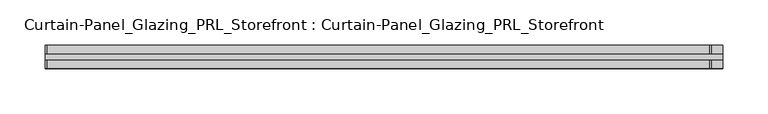
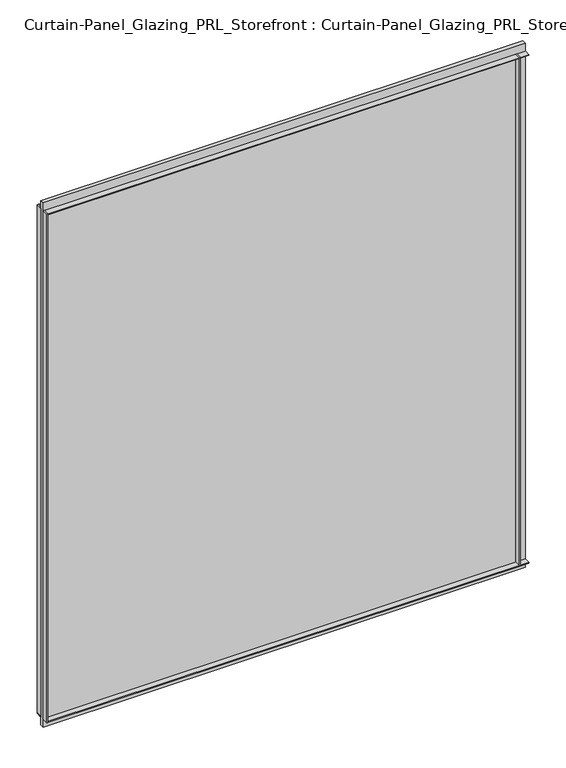
"""IFC4 building model written with IfcOpenShell, lengths in millimetres: plate geometry, Curtain-Panel_Glazing_PRL_Storefront : Curtain-Panel_Glazing_PRL_Storefront."""

from ifc_helpers import new_model, si_unit, frame, origin, origin_with_axes, place, context, project, spatial, polyline, outline, extrude, source, transform, mapped, element, save


def curtain_panel_glazing_prl_storefront_curtain_panel_glazing_cbc27ab8(model_context):
    return source(origin(), model_context, "Body", "SweptSolid", [
        extrude(outline(polyline([(422.275, 12.7), (422.275, 3.175), (420.6875, 3.175), (420.6875, 12.7), (422.275, 12.7)])), frame((0.0, 0.0, 12.7), z_axis=(0.0, 0.0, 1.0), x_axis=(1.0, 0.0, 0.0)), (0.0, 0.0, 1.0), 831.85),
        extrude(outline(polyline([(422.275, -12.7), (420.6875, -12.7), (420.6875, -3.175), (422.275, -3.175), (422.275, -12.7)])), frame((0.0, 0.0, 12.7), z_axis=(0.0, 0.0, 1.0), x_axis=(1.0, 0.0, 0.0)), (0.0, 0.0, 1.0), 831.85),
        extrude(outline(polyline([(-311.15, 12.7), (-309.5625, 12.7), (-309.5625, 3.175), (-311.15, 3.175), (-311.15, 12.7)])), frame((0.0, 0.0, 12.7), z_axis=(0.0, 0.0, 1.0), x_axis=(1.0, 0.0, 0.0)), (0.0, 0.0, 1.0), 831.85),
        extrude(outline(polyline([(-311.15, -12.7), (-311.15, -3.175), (-309.5625, -3.175), (-309.5625, -12.7), (-311.15, -12.7)])), frame((0.0, 0.0, 12.7), z_axis=(0.0, 0.0, 1.0), x_axis=(1.0, 0.0, 0.0)), (0.0, 0.0, 1.0), 831.85),
        extrude(outline(polyline([(434.975, -3.175), (-311.15, -3.175), (-311.15, 3.175), (434.975, 3.175), (434.975, -3.175)])), origin_with_axes(), (0.0, 0.0, 1.0), 857.25),
        extrude(outline(polyline([(-311.15, 12.7), (434.975, 12.7), (434.975, 3.175), (-311.15, 3.175), (-311.15, 12.7)])), frame((0.0, 0.0, 842.9625), z_axis=(0.0, 0.0, 1.0), x_axis=(1.0, 0.0, 0.0)), (0.0, 0.0, 1.0), 1.5875),
        extrude(outline(polyline([(-311.15, -12.7), (-311.15, -3.175), (434.975, -3.175), (434.975, -12.7), (-311.15, -12.7)])), frame((0.0, 0.0, 842.9625), z_axis=(0.0, 0.0, 1.0), x_axis=(1.0, 0.0, 0.0)), (0.0, 0.0, 1.0), 1.5875),
        extrude(outline(polyline([(-311.15, 12.7), (434.975, 12.7), (434.975, 3.175), (-311.15, 3.175), (-311.15, 12.7)])), frame((0.0, 0.0, 12.7), z_axis=(0.0, 0.0, 1.0), x_axis=(1.0, 0.0, 0.0)), (0.0, 0.0, 1.0), 1.5875),
        extrude(outline(polyline([(-311.15, -12.7), (-311.15, -3.175), (434.975, -3.175), (434.975, -12.7), (-311.15, -12.7)])), frame((0.0, 0.0, 12.7), z_axis=(0.0, 0.0, 1.0), x_axis=(1.0, 0.0, 0.0)), (0.0, 0.0, 1.0), 1.5875),
    ])


if __name__ == "__main__":
    model = new_model("IFC4")
    model_context = context("Model", 3, world=origin())
    ifc_project = project(units=[si_unit("LENGTHUNIT", "METRE", prefix="MILLI")], contexts=[model_context])
    site = spatial("IfcSite", under=ifc_project)
    building = spatial("IfcBuilding", under=site)
    placement = place(None, origin())
    curtain_panel_glazing_prl_storefront_curtain_panel_glazing_shape = curtain_panel_glazing_prl_storefront_curtain_panel_glazing_cbc27ab8(model_context)
    element("IfcPlate", 1, ObjectType="Curtain-Panel_Glazing_PRL_Storefront : Curtain-Panel_Glazing_PRL_Storefront", at=placement, inside=building, context=model_context, shape_type="MappedRepresentation", body=[
        mapped(curtain_panel_glazing_prl_storefront_curtain_panel_glazing_shape, transform((0.0, 0.0, 0.0), x_axis=(1.0, 0.0, 0.0), y_axis=(0.0, 1.0, 0.0), z_axis=(0.0, 0.0, 1.0))),
    ])
    save(model, "model.ifc")
